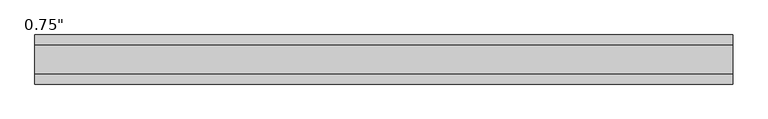
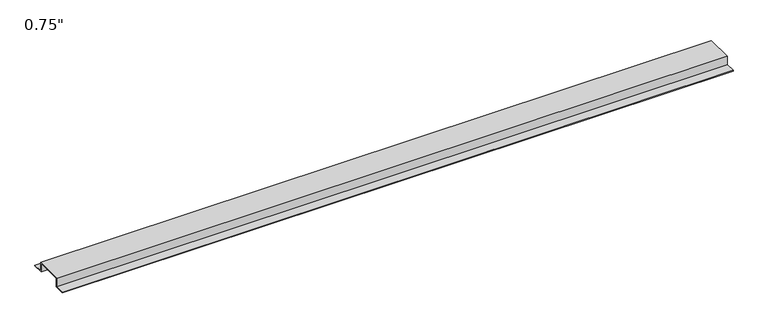
"""IFC4 building model written with IfcOpenShell, lengths in millimetres: proxy geometry."""

import ifcopenshell
import ifcopenshell.guid

model = None  # the IFC model being written
_history = None  # IfcOwnerHistory: only IFC2X3 demands one
_inside = {}  # id of a spatial element -> (the spatial element, [elements in it])
_under = {}  # id of a project, library or spatial element -> (it, [spatial elements below it])
_declared = {}  # id of a project -> (the project, [libraries it declares])
_typed = {}  # id of a type object -> (the type object, [elements of that type])
_made_of = {}  # id of a material, layer set ... -> (it, [elements and type objects made of it])


def new_model(schema):
    """Start an empty IFC model of exactly this schema.

    Asked for "IFC4X3", IfcOpenShell would pick the latest addendum, in which some entities
    have other attributes; the version numbers below select the first issue.
    IFC2X3 requires an IfcOwnerHistory on every rooted entity: one is made here for all.
    """
    global model, _history
    if schema == "IFC4X3":
        model = ifcopenshell.file(schema_version=(4, 3, 0, 0))
    else:
        model = ifcopenshell.file(schema=schema)
    _inside.clear()
    _under.clear()
    _declared.clear()
    _typed.clear()
    _made_of.clear()
    _history = None
    if model.schema == "IFC2X3":
        org = make("IfcOrganization", Name="unknown")
        user = make(
            "IfcPersonAndOrganization",
            ThePerson=make("IfcPerson", FamilyName="unknown"),
            TheOrganization=org,
        )
        app = make(
            "IfcApplication",
            ApplicationDeveloper=org,
            Version="unknown",
            ApplicationFullName="unknown",
            ApplicationIdentifier="unknown",
        )
        _history = make(
            "IfcOwnerHistory",
            OwningUser=user,
            OwningApplication=app,
            ChangeAction="ADDED",
            CreationDate=0,
        )
    return model


def make(cls, **values):
    """One entity of the class cls with the attributes given. An attribute that is None is left unset."""
    return model.create_entity(
        cls, **{name: value for name, value in values.items() if value is not None}
    )


def rooted(cls, **values):
    """An entity with a GlobalId (a new one), such as an element, a storey or a relation."""
    return make(cls, GlobalId=ifcopenshell.guid.new(), OwnerHistory=_history, **values)


def si_unit(unit_type, name, prefix=None):
    """IfcSIUnit, for example si_unit("LENGTHUNIT", "METRE", prefix="MILLI")."""
    return make("IfcSIUnit", UnitType=unit_type, Prefix=prefix, Name=name)


def assignment(units):
    """IfcUnitAssignment: the units of a project."""
    return None if units is None else make("IfcUnitAssignment", Units=units)


def point(xyz):
    """IfcCartesianPoint."""
    return None if xyz is None else make("IfcCartesianPoint", Coordinates=xyz)


def direction(xyz):
    """IfcDirection."""
    return None if xyz is None else make("IfcDirection", DirectionRatios=xyz)


def frame(location, z_axis=None, x_axis=None):
    """IfcAxis2Placement3D, a coordinate frame: its origin and axes. An axis left out is left unset."""
    return make(
        "IfcAxis2Placement3D",
        Location=point(location),
        Axis=direction(z_axis),
        RefDirection=direction(x_axis),
    )


def origin():
    """The frame at (0, 0, 0) with its axes left unset."""
    return frame((0.0, 0.0, 0.0))


def place(relative_to, where):
    """IfcLocalPlacement: puts the frame where relative to a parent placement (None: the world)."""
    return make(
        "IfcLocalPlacement", PlacementRelTo=relative_to, RelativePlacement=where
    )


def context(
    kind, dimensions, precision=None, world=None, true_north=None, identifier=None
):
    """IfcGeometricRepresentationContext, for example the 3D "Model" context."""
    return make(
        "IfcGeometricRepresentationContext",
        ContextIdentifier=identifier,
        ContextType=kind,
        CoordinateSpaceDimension=dimensions,
        Precision=precision,
        WorldCoordinateSystem=world,
        TrueNorth=true_north,
    )


def project(units=None, contexts=None):
    """IfcProject with its units and contexts."""
    return rooted(
        "IfcProject",
        Name="project",
        RepresentationContexts=contexts,
        UnitsInContext=assignment(units),
    )


def spatial(cls, under=None, at=None, **own):
    """A site, building, storey or space (cls), placed at a placement, below another one or the project."""
    s = rooted(cls, ObjectPlacement=at, **own)
    if under is not None:
        _under.setdefault(under.id(), (under, []))[1].append(s)
    return s


def polyline(points):
    """IfcPolyline through the points."""
    return make("IfcPolyline", Points=[point(p) for p in points])


def outline(outer, holes=None, kind="AREA"):
    """IfcArbitraryClosedProfileDef: a profile drawn as a closed curve; with holes, ...WithVoids."""
    if holes is None:
        return make("IfcArbitraryClosedProfileDef", ProfileType=kind, OuterCurve=outer)
    return make(
        "IfcArbitraryProfileDefWithVoids",
        ProfileType=kind,
        OuterCurve=outer,
        InnerCurves=holes,
    )


def extrude(swept, where, along, depth):
    """IfcExtrudedAreaSolid: the profile swept, set in the frame where, extruded along a direction by depth."""
    return make(
        "IfcExtrudedAreaSolid",
        SweptArea=swept,
        Position=where,
        ExtrudedDirection=direction(along),
        Depth=depth,
    )


def shape(context_of_items, identifier, shape_type, items):
    """IfcShapeRepresentation: the items that make up one representation, for example the "Body"."""
    return make(
        "IfcShapeRepresentation",
        ContextOfItems=context_of_items,
        RepresentationIdentifier=identifier,
        RepresentationType=shape_type,
        Items=items,
    )


def source(mapping_origin, context_of_items, identifier, shape_type, items):
    """IfcRepresentationMap: a shape defined once, which mapped items show again and again."""
    return make(
        "IfcRepresentationMap",
        MappingOrigin=mapping_origin,
        MappedRepresentation=shape(context_of_items, identifier, shape_type, items),
    )


def transform(
    local_origin,
    x_axis=None,
    y_axis=None,
    z_axis=None,
    scale=None,
    scale2=None,
    scale3=None,
    uniform=True,
):
    """IfcCartesianTransformationOperator3D, or its non-uniform kind. x_axis, y_axis, z_axis: its Axis1, 2, 3."""
    if uniform:
        return make(
            "IfcCartesianTransformationOperator3D",
            Axis1=direction(x_axis),
            Axis2=direction(y_axis),
            LocalOrigin=point(local_origin),
            Scale=scale,
            Axis3=direction(z_axis),
        )
    return make(
        "IfcCartesianTransformationOperator3DnonUniform",
        Axis1=direction(x_axis),
        Axis2=direction(y_axis),
        LocalOrigin=point(local_origin),
        Scale=scale,
        Axis3=direction(z_axis),
        Scale2=scale2,
        Scale3=scale3,
    )


def mapped(mapping_source, mapping_target):
    """IfcMappedItem: shows the shape of a source again, moved by a transform."""
    return make(
        "IfcMappedItem", MappingSource=mapping_source, MappingTarget=mapping_target
    )


def made_of(thing, what):
    """Note that an element or type object is made of a material, layer set ...; save() writes the relation."""
    if what is not None:
        _made_of.setdefault(what.id(), (what, []))[1].append(thing)
    return thing


def element(
    cls,
    number,
    at=None,
    inside=None,
    cuts=None,
    type_object=None,
    material=None,
    context=None,
    identifier="Body",
    shape_type=None,
    held_by="IfcProductDefinitionShape",
    body=None,
    shapes=None,
    **own,
):
    """One element of the class cls, such as IfcWall. Its Tag is "e" and its number.

    at: its placement. inside: the storey or other place that contains it. cuts: it is an
    opening in that element (IfcRelVoidsElement). A single representation is given by context,
    identifier, shape_type and body (its items); several are given by shapes. held_by: the class
    of the entity that holds the representations. save() writes the other relations.
    """
    e = rooted(cls, Tag="e%d" % number, ObjectPlacement=at, **own)
    if body is not None:
        shapes = [shape(context, identifier, shape_type, body)]
    if shapes is not None:
        e.Representation = make(held_by, Representations=shapes)
    if inside is not None:
        _inside.setdefault(inside.id(), (inside, []))[1].append(e)
    if cuts is not None:
        rooted(
            "IfcRelVoidsElement", RelatingBuildingElement=cuts, RelatedOpeningElement=e
        )
    if type_object is not None:
        _typed.setdefault(type_object.id(), (type_object, []))[1].append(e)
    return made_of(e, material)


def aggregate(whole, parts):
    """IfcRelAggregates: a whole, such as a stair, and the parts it consists of."""
    return rooted("IfcRelAggregates", RelatingObject=whole, RelatedObjects=parts)


def save(model, path):
    """Write the relations noted so far, then the file.

    IfcRelAggregates (storeys below a building ...), IfcRelContainedInSpatialStructure (elements
    in a storey), IfcRelDefinesByType, IfcRelAssociatesMaterial and IfcRelDeclares: one each for
    every whole, place, type object, material and project.
    """
    for whole, parts in _under.values():
        aggregate(whole, parts)
    for where, things in _inside.values():
        rooted(
            "IfcRelContainedInSpatialStructure",
            RelatedElements=things,
            RelatingStructure=where,
        )
    for kind, things in _typed.values():
        rooted("IfcRelDefinesByType", RelatedObjects=things, RelatingType=kind)
    for what, things in _made_of.values():
        rooted("IfcRelAssociatesMaterial", RelatedObjects=things, RelatingMaterial=what)
    for by, libraries in _declared.values():
        rooted("IfcRelDeclares", RelatingContext=by, RelatedDefinitions=libraries)
    model.write(path)


def proxy_9a0092f2(model_context):
    return source(origin(), model_context, "Body", "SweptSolid", [
        extrude(outline(polyline([(46.0559645, -17.4625), (25.4, -17.4625), (25.4, 0.0), (-25.4, 0.0), (-25.4, -17.4625), (-46.0559645, -17.4625), (-46.0559645, -15.8492), (-27.0129, -15.8492), (-27.0129, 1.6129), (27.0129, 1.6129), (27.0129, -15.8492), (46.0559645, -15.8492), (46.0559645, -17.4625)])), frame((0.0, 0.0, 0.0), z_axis=(1.0, 0.0, 0.0), x_axis=(0.0, 1.0, 0.0)), (0.0, 0.0, 1.0), 1308.1),
    ])


if __name__ == "__main__":
    model = new_model("IFC4")
    model_context = context("Model", 3, world=origin())
    ifc_project = project(units=[si_unit("LENGTHUNIT", "METRE", prefix="MILLI")], contexts=[model_context])
    site = spatial("IfcSite", under=ifc_project)
    building = spatial("IfcBuilding", under=site)
    placement = place(None, origin())
    proxy_shape = proxy_9a0092f2(model_context)
    element("IfcBuildingElementProxy", 1, Name="0.75\"", ObjectType="0.75\"", at=placement, inside=building, context=model_context, shape_type="MappedRepresentation", body=[
        mapped(proxy_shape, transform((0.0, 0.0, 0.0), x_axis=(1.0, 0.0, 0.0), y_axis=(0.0, 1.0, 0.0), z_axis=(0.0, 0.0, 1.0))),
    ])
    save(model, "model.ifc")
